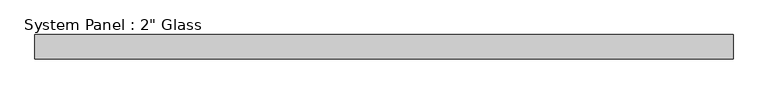
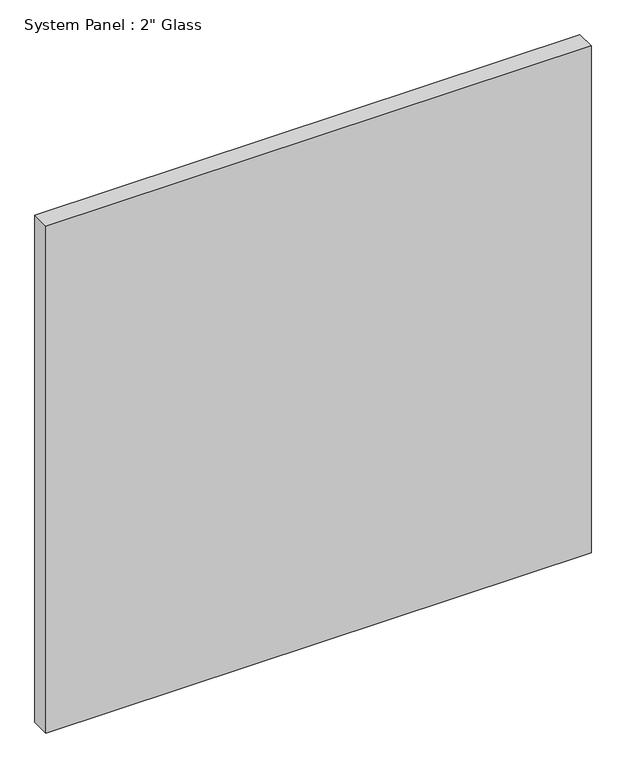
"""IFC4 building model written with IfcOpenShell, lengths in millimetres: plate geometry."""

from ifc_helpers import new_model, si_unit, origin, origin_with_axes, place, context, project, spatial, polyline, outline, extrude, source, transform, mapped, element, save


def plate_baf06118(model_context):
    return source(origin(), model_context, "Body", "SweptSolid", [
        extrude(outline(polyline([(724.9095691, -25.4), (-724.9095691, -25.4), (-724.9095691, 25.4), (724.9095691, 25.4), (724.9095691, -25.4)])), origin_with_axes(), (0.0, 0.0, 1.0), 1424.9417704),
    ])


if __name__ == "__main__":
    model = new_model("IFC4")
    model_context = context("Model", 3, world=origin())
    ifc_project = project(units=[si_unit("LENGTHUNIT", "METRE", prefix="MILLI")], contexts=[model_context])
    site = spatial("IfcSite", under=ifc_project)
    building = spatial("IfcBuilding", under=site)
    placement = place(None, origin())
    plate_shape = plate_baf06118(model_context)
    element("IfcPlate", 1, ObjectType="System Panel : 2\" Glass", at=placement, inside=building, context=model_context, shape_type="MappedRepresentation", body=[
        mapped(plate_shape, transform((0.0, 0.0, 0.0), x_axis=(1.0, 0.0, 0.0), y_axis=(0.0, 1.0, 0.0), z_axis=(0.0, 0.0, 1.0))),
    ])
    save(model, "model.ifc")
